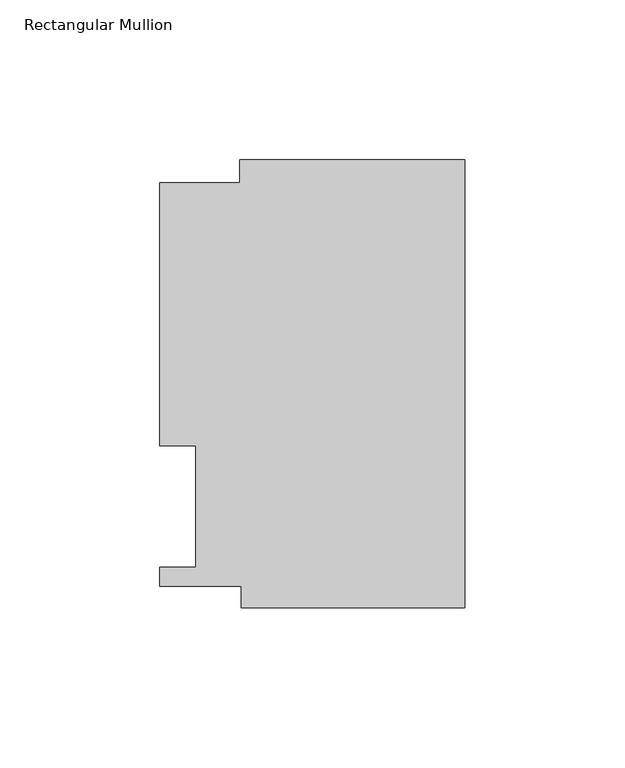
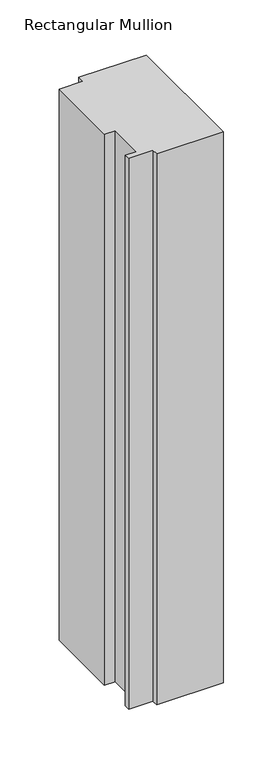
"""IFC4 building model written with IfcOpenShell, lengths in millimetres: member geometry, Rectangular Mullion."""

import ifcopenshell
import ifcopenshell.guid

model = None  # the IFC model being written
_history = None  # IfcOwnerHistory: only IFC2X3 demands one
_inside = {}  # id of a spatial element -> (the spatial element, [elements in it])
_under = {}  # id of a project, library or spatial element -> (it, [spatial elements below it])
_declared = {}  # id of a project -> (the project, [libraries it declares])
_typed = {}  # id of a type object -> (the type object, [elements of that type])
_made_of = {}  # id of a material, layer set ... -> (it, [elements and type objects made of it])


def new_model(schema):
    """Start an empty IFC model of exactly this schema.

    Asked for "IFC4X3", IfcOpenShell would pick the latest addendum, in which some entities
    have other attributes; the version numbers below select the first issue.
    IFC2X3 requires an IfcOwnerHistory on every rooted entity: one is made here for all.
    """
    global model, _history
    if schema == "IFC4X3":
        model = ifcopenshell.file(schema_version=(4, 3, 0, 0))
    else:
        model = ifcopenshell.file(schema=schema)
    _inside.clear()
    _under.clear()
    _declared.clear()
    _typed.clear()
    _made_of.clear()
    _history = None
    if model.schema == "IFC2X3":
        org = make("IfcOrganization", Name="unknown")
        user = make(
            "IfcPersonAndOrganization",
            ThePerson=make("IfcPerson", FamilyName="unknown"),
            TheOrganization=org,
        )
        app = make(
            "IfcApplication",
            ApplicationDeveloper=org,
            Version="unknown",
            ApplicationFullName="unknown",
            ApplicationIdentifier="unknown",
        )
        _history = make(
            "IfcOwnerHistory",
            OwningUser=user,
            OwningApplication=app,
            ChangeAction="ADDED",
            CreationDate=0,
        )
    return model


def make(cls, **values):
    """One entity of the class cls with the attributes given. An attribute that is None is left unset."""
    return model.create_entity(
        cls, **{name: value for name, value in values.items() if value is not None}
    )


def rooted(cls, **values):
    """An entity with a GlobalId (a new one), such as an element, a storey or a relation."""
    return make(cls, GlobalId=ifcopenshell.guid.new(), OwnerHistory=_history, **values)


def si_unit(unit_type, name, prefix=None):
    """IfcSIUnit, for example si_unit("LENGTHUNIT", "METRE", prefix="MILLI")."""
    return make("IfcSIUnit", UnitType=unit_type, Prefix=prefix, Name=name)


def assignment(units):
    """IfcUnitAssignment: the units of a project."""
    return None if units is None else make("IfcUnitAssignment", Units=units)


def point(xyz):
    """IfcCartesianPoint."""
    return None if xyz is None else make("IfcCartesianPoint", Coordinates=xyz)


def direction(xyz):
    """IfcDirection."""
    return None if xyz is None else make("IfcDirection", DirectionRatios=xyz)


def frame(location, z_axis=None, x_axis=None):
    """IfcAxis2Placement3D, a coordinate frame: its origin and axes. An axis left out is left unset."""
    return make(
        "IfcAxis2Placement3D",
        Location=point(location),
        Axis=direction(z_axis),
        RefDirection=direction(x_axis),
    )


def origin():
    """The frame at (0, 0, 0) with its axes left unset."""
    return frame((0.0, 0.0, 0.0))


def place(relative_to, where):
    """IfcLocalPlacement: puts the frame where relative to a parent placement (None: the world)."""
    return make(
        "IfcLocalPlacement", PlacementRelTo=relative_to, RelativePlacement=where
    )


def context(
    kind, dimensions, precision=None, world=None, true_north=None, identifier=None
):
    """IfcGeometricRepresentationContext, for example the 3D "Model" context."""
    return make(
        "IfcGeometricRepresentationContext",
        ContextIdentifier=identifier,
        ContextType=kind,
        CoordinateSpaceDimension=dimensions,
        Precision=precision,
        WorldCoordinateSystem=world,
        TrueNorth=true_north,
    )


def project(units=None, contexts=None):
    """IfcProject with its units and contexts."""
    return rooted(
        "IfcProject",
        Name="project",
        RepresentationContexts=contexts,
        UnitsInContext=assignment(units),
    )


def spatial(cls, under=None, at=None, **own):
    """A site, building, storey or space (cls), placed at a placement, below another one or the project."""
    s = rooted(cls, ObjectPlacement=at, **own)
    if under is not None:
        _under.setdefault(under.id(), (under, []))[1].append(s)
    return s


def polyline(points):
    """IfcPolyline through the points."""
    return make("IfcPolyline", Points=[point(p) for p in points])


def outline(outer, holes=None, kind="AREA"):
    """IfcArbitraryClosedProfileDef: a profile drawn as a closed curve; with holes, ...WithVoids."""
    if holes is None:
        return make("IfcArbitraryClosedProfileDef", ProfileType=kind, OuterCurve=outer)
    return make(
        "IfcArbitraryProfileDefWithVoids",
        ProfileType=kind,
        OuterCurve=outer,
        InnerCurves=holes,
    )


def extrude(swept, where, along, depth):
    """IfcExtrudedAreaSolid: the profile swept, set in the frame where, extruded along a direction by depth."""
    return make(
        "IfcExtrudedAreaSolid",
        SweptArea=swept,
        Position=where,
        ExtrudedDirection=direction(along),
        Depth=depth,
    )


def shape(context_of_items, identifier, shape_type, items):
    """IfcShapeRepresentation: the items that make up one representation, for example the "Body"."""
    return make(
        "IfcShapeRepresentation",
        ContextOfItems=context_of_items,
        RepresentationIdentifier=identifier,
        RepresentationType=shape_type,
        Items=items,
    )


def source(mapping_origin, context_of_items, identifier, shape_type, items):
    """IfcRepresentationMap: a shape defined once, which mapped items show again and again."""
    return make(
        "IfcRepresentationMap",
        MappingOrigin=mapping_origin,
        MappedRepresentation=shape(context_of_items, identifier, shape_type, items),
    )


def transform(
    local_origin,
    x_axis=None,
    y_axis=None,
    z_axis=None,
    scale=None,
    scale2=None,
    scale3=None,
    uniform=True,
):
    """IfcCartesianTransformationOperator3D, or its non-uniform kind. x_axis, y_axis, z_axis: its Axis1, 2, 3."""
    if uniform:
        return make(
            "IfcCartesianTransformationOperator3D",
            Axis1=direction(x_axis),
            Axis2=direction(y_axis),
            LocalOrigin=point(local_origin),
            Scale=scale,
            Axis3=direction(z_axis),
        )
    return make(
        "IfcCartesianTransformationOperator3DnonUniform",
        Axis1=direction(x_axis),
        Axis2=direction(y_axis),
        LocalOrigin=point(local_origin),
        Scale=scale,
        Axis3=direction(z_axis),
        Scale2=scale2,
        Scale3=scale3,
    )


def mapped(mapping_source, mapping_target):
    """IfcMappedItem: shows the shape of a source again, moved by a transform."""
    return make(
        "IfcMappedItem", MappingSource=mapping_source, MappingTarget=mapping_target
    )


def made_of(thing, what):
    """Note that an element or type object is made of a material, layer set ...; save() writes the relation."""
    if what is not None:
        _made_of.setdefault(what.id(), (what, []))[1].append(thing)
    return thing


def element(
    cls,
    number,
    at=None,
    inside=None,
    cuts=None,
    type_object=None,
    material=None,
    context=None,
    identifier="Body",
    shape_type=None,
    held_by="IfcProductDefinitionShape",
    body=None,
    shapes=None,
    **own,
):
    """One element of the class cls, such as IfcWall. Its Tag is "e" and its number.

    at: its placement. inside: the storey or other place that contains it. cuts: it is an
    opening in that element (IfcRelVoidsElement). A single representation is given by context,
    identifier, shape_type and body (its items); several are given by shapes. held_by: the class
    of the entity that holds the representations. save() writes the other relations.
    """
    e = rooted(cls, Tag="e%d" % number, ObjectPlacement=at, **own)
    if body is not None:
        shapes = [shape(context, identifier, shape_type, body)]
    if shapes is not None:
        e.Representation = make(held_by, Representations=shapes)
    if inside is not None:
        _inside.setdefault(inside.id(), (inside, []))[1].append(e)
    if cuts is not None:
        rooted(
            "IfcRelVoidsElement", RelatingBuildingElement=cuts, RelatedOpeningElement=e
        )
    if type_object is not None:
        _typed.setdefault(type_object.id(), (type_object, []))[1].append(e)
    return made_of(e, material)


def aggregate(whole, parts):
    """IfcRelAggregates: a whole, such as a stair, and the parts it consists of."""
    return rooted("IfcRelAggregates", RelatingObject=whole, RelatedObjects=parts)


def save(model, path):
    """Write the relations noted so far, then the file.

    IfcRelAggregates (storeys below a building ...), IfcRelContainedInSpatialStructure (elements
    in a storey), IfcRelDefinesByType, IfcRelAssociatesMaterial and IfcRelDeclares: one each for
    every whole, place, type object, material and project.
    """
    for whole, parts in _under.values():
        aggregate(whole, parts)
    for where, things in _inside.values():
        rooted(
            "IfcRelContainedInSpatialStructure",
            RelatedElements=things,
            RelatingStructure=where,
        )
    for kind, things in _typed.values():
        rooted("IfcRelDefinesByType", RelatedObjects=things, RelatingType=kind)
    for what, things in _made_of.values():
        rooted("IfcRelAssociatesMaterial", RelatedObjects=things, RelatingMaterial=what)
    for by, libraries in _declared.values():
        rooted("IfcRelDeclares", RelatingContext=by, RelatedDefinitions=libraries)
    model.write(path)


def rectangular_mullion_94b4d003(model_context):
    return source(origin(), model_context, "Body", "SweptSolid", [
        extrude(outline(polyline([(-70.3072, 133.731), (0.0, 133.731), (0.0, -6.2260979), (-69.85, -6.2260979), (-69.85, 0.4064), (-95.25, 0.4064), (-95.25, 6.35), (-84.1375, 6.35), (-84.1375, 44.45), (-95.25, 44.45), (-95.25, 126.619), (-70.3072, 126.619), (-70.3072, 133.731)])), frame((0.0, 0.0, -609.6), z_axis=(0.0, 0.0, 1.0), x_axis=(1.0, 0.0, 0.0)), (0.0, 0.0, 1.0), 609.6),
    ])


if __name__ == "__main__":
    model = new_model("IFC4")
    model_context = context("Model", 3, world=origin())
    ifc_project = project(units=[si_unit("LENGTHUNIT", "METRE", prefix="MILLI")], contexts=[model_context])
    site = spatial("IfcSite", under=ifc_project)
    building = spatial("IfcBuilding", under=site)
    placement = place(None, origin())
    rectangular_mullion_shape = rectangular_mullion_94b4d003(model_context)
    element("IfcMember", 1, ObjectType="Rectangular Mullion", at=placement, inside=building, context=model_context, shape_type="MappedRepresentation", body=[
        mapped(rectangular_mullion_shape, transform((0.0, 0.0, 0.0), x_axis=(1.0, 0.0, 0.0), y_axis=(0.0, 1.0, 0.0), z_axis=(0.0, 0.0, 1.0))),
    ])
    save(model, "model.ifc")
